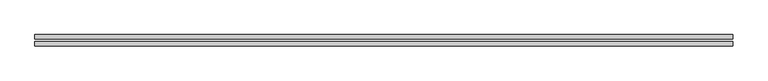
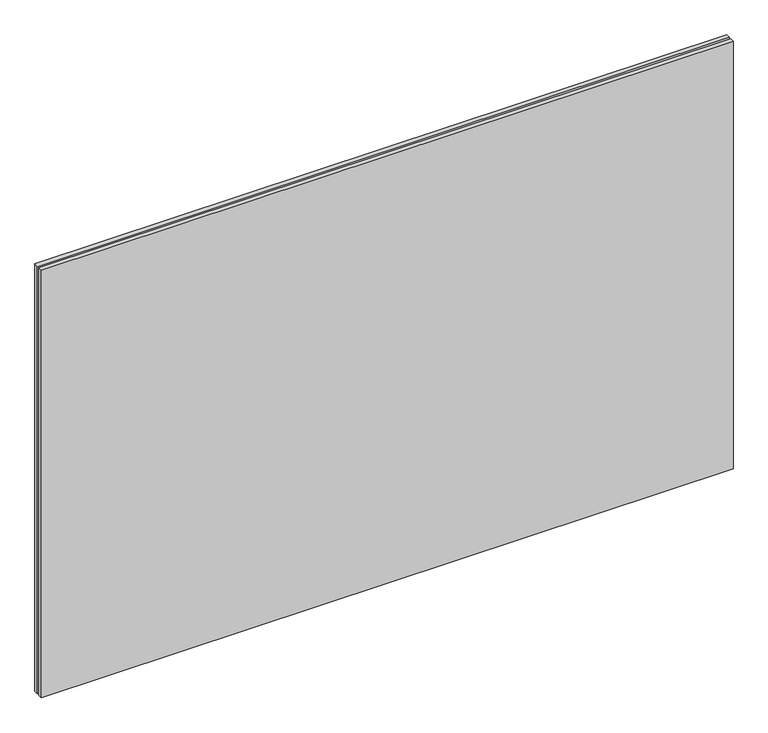
"""IFC4 building model written with IfcOpenShell, lengths in millimetres: plate geometry."""

from ifc_helpers import new_model, si_unit, origin, origin_with_axes, place, context, project, spatial, polyline, outline, extrude, source, transform, mapped, element, save


def plate_14fb27d9(model_context):
    return source(origin(), model_context, "Body", "SweptSolid", [
        extrude(outline(polyline([(620.0, -10.0), (-620.0, -10.0), (-620.0, -2.0), (620.0, -2.0), (620.0, -10.0)])), origin_with_axes(), (0.0, 0.0, 1.0), 810.0),
        extrude(outline(polyline([(620.0, 2.0), (-620.0, 2.0), (-620.0, 10.0), (620.0, 10.0), (620.0, 2.0)])), origin_with_axes(), (0.0, 0.0, 1.0), 810.0),
    ])


if __name__ == "__main__":
    model = new_model("IFC4")
    model_context = context("Model", 3, world=origin())
    ifc_project = project(units=[si_unit("LENGTHUNIT", "METRE", prefix="MILLI")], contexts=[model_context])
    site = spatial("IfcSite", under=ifc_project)
    building = spatial("IfcBuilding", under=site)
    placement = place(None, origin())
    plate_shape = plate_14fb27d9(model_context)
    element("IfcPlate", 1, at=placement, inside=building, context=model_context, shape_type="MappedRepresentation", body=[
        mapped(plate_shape, transform((0.0, 0.0, 0.0), x_axis=(1.0, 0.0, 0.0), y_axis=(0.0, 1.0, 0.0), z_axis=(0.0, 0.0, 1.0))),
    ])
    save(model, "model.ifc")
